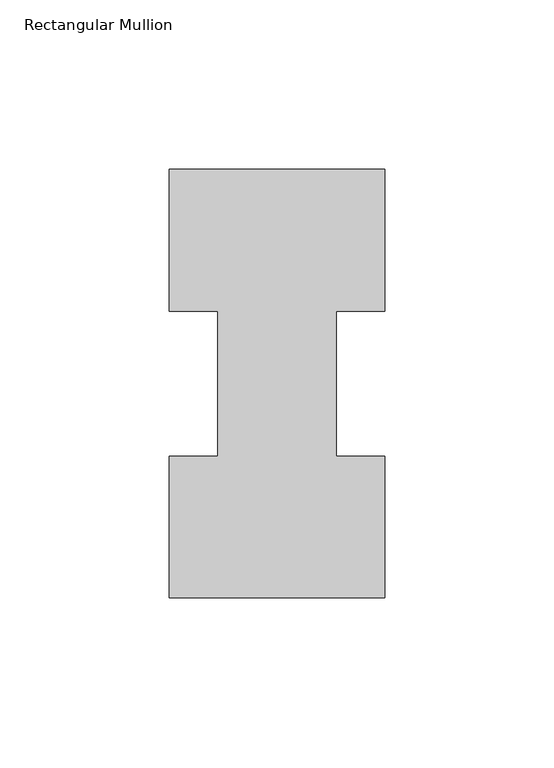
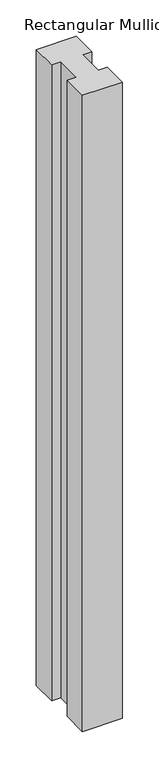
"""IFC4 building model written with IfcOpenShell, lengths in millimetres: member geometry, Rectangular Mullion."""

from ifc_helpers import new_model, si_unit, frame, origin, place, context, project, spatial, polyline, outline, extrude, source, transform, mapped, element, save


def rectangular_mullion_8175863d(model_context):
    return source(origin(), model_context, "Body", "SweptSolid", [
        extrude(outline(polyline([(-63.5, 0.26035), (-63.5, 42.08145), (-49.2125, 42.08145), (-49.2125, 84.93125), (-63.5, 84.93125), (-63.5, 126.75235), (0.0, 126.75235), (0.0, 84.93125), (-14.2748, 84.93125), (-14.2748, 42.08145), (0.0, 42.08145), (0.0, 0.26035), (-63.5, 0.26035)])), frame((0.0, 0.0, -1066.80635), z_axis=(0.0, 0.0, 1.0), x_axis=(1.0, 0.0, 0.0)), (0.0, 0.0, 1.0), 1066.80635),
    ])


if __name__ == "__main__":
    model = new_model("IFC4")
    model_context = context("Model", 3, world=origin())
    ifc_project = project(units=[si_unit("LENGTHUNIT", "METRE", prefix="MILLI")], contexts=[model_context])
    site = spatial("IfcSite", under=ifc_project)
    building = spatial("IfcBuilding", under=site)
    placement = place(None, origin())
    rectangular_mullion_shape = rectangular_mullion_8175863d(model_context)
    element("IfcMember", 1, ObjectType="Rectangular Mullion", at=placement, inside=building, context=model_context, shape_type="MappedRepresentation", body=[
        mapped(rectangular_mullion_shape, transform((0.0, 0.0, 0.0), x_axis=(1.0, 0.0, 0.0), y_axis=(0.0, 1.0, 0.0), z_axis=(0.0, 0.0, 1.0))),
    ])
    save(model, "model.ifc")
